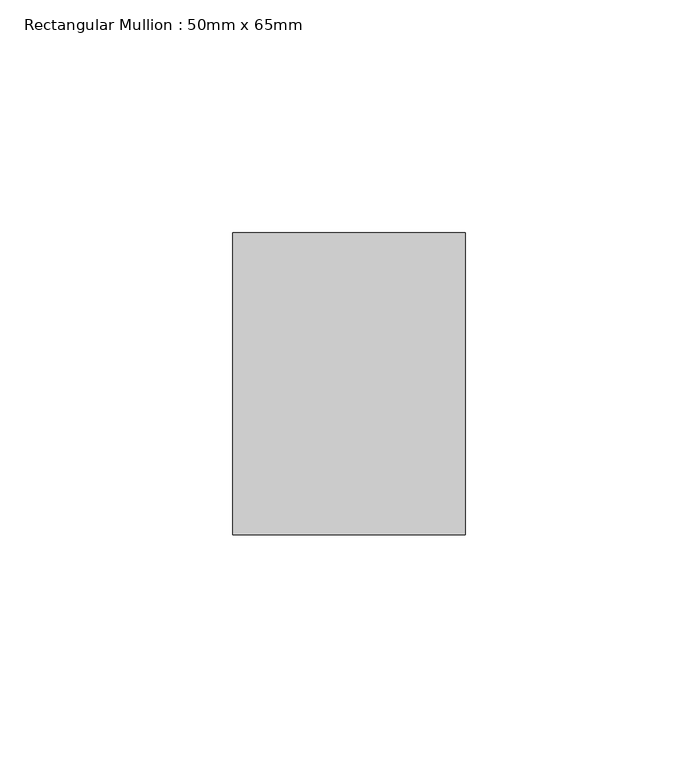
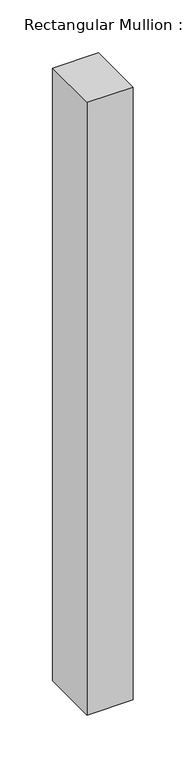
"""IFC4 building model written with IfcOpenShell, lengths in millimetres: member geometry, Rectangular Mullion : 50mm x 65mm."""

import ifcopenshell
import ifcopenshell.guid

model = None  # the IFC model being written
_history = None  # IfcOwnerHistory: only IFC2X3 demands one
_inside = {}  # id of a spatial element -> (the spatial element, [elements in it])
_under = {}  # id of a project, library or spatial element -> (it, [spatial elements below it])
_declared = {}  # id of a project -> (the project, [libraries it declares])
_typed = {}  # id of a type object -> (the type object, [elements of that type])
_made_of = {}  # id of a material, layer set ... -> (it, [elements and type objects made of it])


def new_model(schema):
    """Start an empty IFC model of exactly this schema.

    Asked for "IFC4X3", IfcOpenShell would pick the latest addendum, in which some entities
    have other attributes; the version numbers below select the first issue.
    IFC2X3 requires an IfcOwnerHistory on every rooted entity: one is made here for all.
    """
    global model, _history
    if schema == "IFC4X3":
        model = ifcopenshell.file(schema_version=(4, 3, 0, 0))
    else:
        model = ifcopenshell.file(schema=schema)
    _inside.clear()
    _under.clear()
    _declared.clear()
    _typed.clear()
    _made_of.clear()
    _history = None
    if model.schema == "IFC2X3":
        org = make("IfcOrganization", Name="unknown")
        user = make(
            "IfcPersonAndOrganization",
            ThePerson=make("IfcPerson", FamilyName="unknown"),
            TheOrganization=org,
        )
        app = make(
            "IfcApplication",
            ApplicationDeveloper=org,
            Version="unknown",
            ApplicationFullName="unknown",
            ApplicationIdentifier="unknown",
        )
        _history = make(
            "IfcOwnerHistory",
            OwningUser=user,
            OwningApplication=app,
            ChangeAction="ADDED",
            CreationDate=0,
        )
    return model


def make(cls, **values):
    """One entity of the class cls with the attributes given. An attribute that is None is left unset."""
    return model.create_entity(
        cls, **{name: value for name, value in values.items() if value is not None}
    )


def rooted(cls, **values):
    """An entity with a GlobalId (a new one), such as an element, a storey or a relation."""
    return make(cls, GlobalId=ifcopenshell.guid.new(), OwnerHistory=_history, **values)


def si_unit(unit_type, name, prefix=None):
    """IfcSIUnit, for example si_unit("LENGTHUNIT", "METRE", prefix="MILLI")."""
    return make("IfcSIUnit", UnitType=unit_type, Prefix=prefix, Name=name)


def assignment(units):
    """IfcUnitAssignment: the units of a project."""
    return None if units is None else make("IfcUnitAssignment", Units=units)


def point(xyz):
    """IfcCartesianPoint."""
    return None if xyz is None else make("IfcCartesianPoint", Coordinates=xyz)


def direction(xyz):
    """IfcDirection."""
    return None if xyz is None else make("IfcDirection", DirectionRatios=xyz)


def frame(location, z_axis=None, x_axis=None):
    """IfcAxis2Placement3D, a coordinate frame: its origin and axes. An axis left out is left unset."""
    return make(
        "IfcAxis2Placement3D",
        Location=point(location),
        Axis=direction(z_axis),
        RefDirection=direction(x_axis),
    )


def origin():
    """The frame at (0, 0, 0) with its axes left unset."""
    return frame((0.0, 0.0, 0.0))


def place(relative_to, where):
    """IfcLocalPlacement: puts the frame where relative to a parent placement (None: the world)."""
    return make(
        "IfcLocalPlacement", PlacementRelTo=relative_to, RelativePlacement=where
    )


def context(
    kind, dimensions, precision=None, world=None, true_north=None, identifier=None
):
    """IfcGeometricRepresentationContext, for example the 3D "Model" context."""
    return make(
        "IfcGeometricRepresentationContext",
        ContextIdentifier=identifier,
        ContextType=kind,
        CoordinateSpaceDimension=dimensions,
        Precision=precision,
        WorldCoordinateSystem=world,
        TrueNorth=true_north,
    )


def project(units=None, contexts=None):
    """IfcProject with its units and contexts."""
    return rooted(
        "IfcProject",
        Name="project",
        RepresentationContexts=contexts,
        UnitsInContext=assignment(units),
    )


def spatial(cls, under=None, at=None, **own):
    """A site, building, storey or space (cls), placed at a placement, below another one or the project."""
    s = rooted(cls, ObjectPlacement=at, **own)
    if under is not None:
        _under.setdefault(under.id(), (under, []))[1].append(s)
    return s


def polyline(points):
    """IfcPolyline through the points."""
    return make("IfcPolyline", Points=[point(p) for p in points])


def outline(outer, holes=None, kind="AREA"):
    """IfcArbitraryClosedProfileDef: a profile drawn as a closed curve; with holes, ...WithVoids."""
    if holes is None:
        return make("IfcArbitraryClosedProfileDef", ProfileType=kind, OuterCurve=outer)
    return make(
        "IfcArbitraryProfileDefWithVoids",
        ProfileType=kind,
        OuterCurve=outer,
        InnerCurves=holes,
    )


def extrude(swept, where, along, depth):
    """IfcExtrudedAreaSolid: the profile swept, set in the frame where, extruded along a direction by depth."""
    return make(
        "IfcExtrudedAreaSolid",
        SweptArea=swept,
        Position=where,
        ExtrudedDirection=direction(along),
        Depth=depth,
    )


def shape(context_of_items, identifier, shape_type, items):
    """IfcShapeRepresentation: the items that make up one representation, for example the "Body"."""
    return make(
        "IfcShapeRepresentation",
        ContextOfItems=context_of_items,
        RepresentationIdentifier=identifier,
        RepresentationType=shape_type,
        Items=items,
    )


def source(mapping_origin, context_of_items, identifier, shape_type, items):
    """IfcRepresentationMap: a shape defined once, which mapped items show again and again."""
    return make(
        "IfcRepresentationMap",
        MappingOrigin=mapping_origin,
        MappedRepresentation=shape(context_of_items, identifier, shape_type, items),
    )


def transform(
    local_origin,
    x_axis=None,
    y_axis=None,
    z_axis=None,
    scale=None,
    scale2=None,
    scale3=None,
    uniform=True,
):
    """IfcCartesianTransformationOperator3D, or its non-uniform kind. x_axis, y_axis, z_axis: its Axis1, 2, 3."""
    if uniform:
        return make(
            "IfcCartesianTransformationOperator3D",
            Axis1=direction(x_axis),
            Axis2=direction(y_axis),
            LocalOrigin=point(local_origin),
            Scale=scale,
            Axis3=direction(z_axis),
        )
    return make(
        "IfcCartesianTransformationOperator3DnonUniform",
        Axis1=direction(x_axis),
        Axis2=direction(y_axis),
        LocalOrigin=point(local_origin),
        Scale=scale,
        Axis3=direction(z_axis),
        Scale2=scale2,
        Scale3=scale3,
    )


def mapped(mapping_source, mapping_target):
    """IfcMappedItem: shows the shape of a source again, moved by a transform."""
    return make(
        "IfcMappedItem", MappingSource=mapping_source, MappingTarget=mapping_target
    )


def made_of(thing, what):
    """Note that an element or type object is made of a material, layer set ...; save() writes the relation."""
    if what is not None:
        _made_of.setdefault(what.id(), (what, []))[1].append(thing)
    return thing


def element(
    cls,
    number,
    at=None,
    inside=None,
    cuts=None,
    type_object=None,
    material=None,
    context=None,
    identifier="Body",
    shape_type=None,
    held_by="IfcProductDefinitionShape",
    body=None,
    shapes=None,
    **own,
):
    """One element of the class cls, such as IfcWall. Its Tag is "e" and its number.

    at: its placement. inside: the storey or other place that contains it. cuts: it is an
    opening in that element (IfcRelVoidsElement). A single representation is given by context,
    identifier, shape_type and body (its items); several are given by shapes. held_by: the class
    of the entity that holds the representations. save() writes the other relations.
    """
    e = rooted(cls, Tag="e%d" % number, ObjectPlacement=at, **own)
    if body is not None:
        shapes = [shape(context, identifier, shape_type, body)]
    if shapes is not None:
        e.Representation = make(held_by, Representations=shapes)
    if inside is not None:
        _inside.setdefault(inside.id(), (inside, []))[1].append(e)
    if cuts is not None:
        rooted(
            "IfcRelVoidsElement", RelatingBuildingElement=cuts, RelatedOpeningElement=e
        )
    if type_object is not None:
        _typed.setdefault(type_object.id(), (type_object, []))[1].append(e)
    return made_of(e, material)


def aggregate(whole, parts):
    """IfcRelAggregates: a whole, such as a stair, and the parts it consists of."""
    return rooted("IfcRelAggregates", RelatingObject=whole, RelatedObjects=parts)


def save(model, path):
    """Write the relations noted so far, then the file.

    IfcRelAggregates (storeys below a building ...), IfcRelContainedInSpatialStructure (elements
    in a storey), IfcRelDefinesByType, IfcRelAssociatesMaterial and IfcRelDeclares: one each for
    every whole, place, type object, material and project.
    """
    for whole, parts in _under.values():
        aggregate(whole, parts)
    for where, things in _inside.values():
        rooted(
            "IfcRelContainedInSpatialStructure",
            RelatedElements=things,
            RelatingStructure=where,
        )
    for kind, things in _typed.values():
        rooted("IfcRelDefinesByType", RelatedObjects=things, RelatingType=kind)
    for what, things in _made_of.values():
        rooted("IfcRelAssociatesMaterial", RelatedObjects=things, RelatingMaterial=what)
    for by, libraries in _declared.values():
        rooted("IfcRelDeclares", RelatingContext=by, RelatedDefinitions=libraries)
    model.write(path)


def rectangular_mullion_50mm_x_65mm_8677e45b(model_context):
    return source(origin(), model_context, "Body", "SweptSolid", [
        extrude(outline(polyline([(25.0, 32.5), (25.0, -32.5), (-25.0, -32.5), (-25.0, 32.5), (25.0, 32.5)])), frame((0.0, 0.0, -705.7729678), z_axis=(0.0, 0.0, 1.0), x_axis=(1.0, 0.0, 0.0)), (0.0, 0.0, 1.0), 705.7729678),
    ])


if __name__ == "__main__":
    model = new_model("IFC4")
    model_context = context("Model", 3, world=origin())
    ifc_project = project(units=[si_unit("LENGTHUNIT", "METRE", prefix="MILLI")], contexts=[model_context])
    site = spatial("IfcSite", under=ifc_project)
    building = spatial("IfcBuilding", under=site)
    placement = place(None, origin())
    rectangular_mullion_50mm_x_65mm_shape = rectangular_mullion_50mm_x_65mm_8677e45b(model_context)
    element("IfcMember", 1, ObjectType="Rectangular Mullion : 50mm x 65mm", at=placement, inside=building, context=model_context, shape_type="MappedRepresentation", body=[
        mapped(rectangular_mullion_50mm_x_65mm_shape, transform((0.0, 0.0, 0.0), x_axis=(1.0, 0.0, 0.0), y_axis=(0.0, 1.0, 0.0), z_axis=(0.0, 0.0, 1.0))),
    ])
    save(model, "model.ifc")
